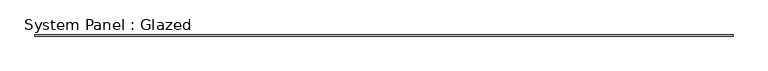
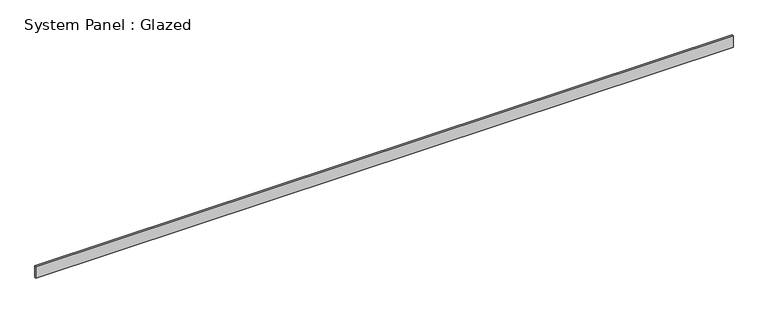
"""IFC4 building model written with IfcOpenShell, lengths in millimetres: plate geometry, System Panel : Glazed."""

import ifcopenshell
import ifcopenshell.guid

model = None  # the IFC model being written
_history = None  # IfcOwnerHistory: only IFC2X3 demands one
_inside = {}  # id of a spatial element -> (the spatial element, [elements in it])
_under = {}  # id of a project, library or spatial element -> (it, [spatial elements below it])
_declared = {}  # id of a project -> (the project, [libraries it declares])
_typed = {}  # id of a type object -> (the type object, [elements of that type])
_made_of = {}  # id of a material, layer set ... -> (it, [elements and type objects made of it])


def new_model(schema):
    """Start an empty IFC model of exactly this schema.

    Asked for "IFC4X3", IfcOpenShell would pick the latest addendum, in which some entities
    have other attributes; the version numbers below select the first issue.
    IFC2X3 requires an IfcOwnerHistory on every rooted entity: one is made here for all.
    """
    global model, _history
    if schema == "IFC4X3":
        model = ifcopenshell.file(schema_version=(4, 3, 0, 0))
    else:
        model = ifcopenshell.file(schema=schema)
    _inside.clear()
    _under.clear()
    _declared.clear()
    _typed.clear()
    _made_of.clear()
    _history = None
    if model.schema == "IFC2X3":
        org = make("IfcOrganization", Name="unknown")
        user = make(
            "IfcPersonAndOrganization",
            ThePerson=make("IfcPerson", FamilyName="unknown"),
            TheOrganization=org,
        )
        app = make(
            "IfcApplication",
            ApplicationDeveloper=org,
            Version="unknown",
            ApplicationFullName="unknown",
            ApplicationIdentifier="unknown",
        )
        _history = make(
            "IfcOwnerHistory",
            OwningUser=user,
            OwningApplication=app,
            ChangeAction="ADDED",
            CreationDate=0,
        )
    return model


def make(cls, **values):
    """One entity of the class cls with the attributes given. An attribute that is None is left unset."""
    return model.create_entity(
        cls, **{name: value for name, value in values.items() if value is not None}
    )


def rooted(cls, **values):
    """An entity with a GlobalId (a new one), such as an element, a storey or a relation."""
    return make(cls, GlobalId=ifcopenshell.guid.new(), OwnerHistory=_history, **values)


def si_unit(unit_type, name, prefix=None):
    """IfcSIUnit, for example si_unit("LENGTHUNIT", "METRE", prefix="MILLI")."""
    return make("IfcSIUnit", UnitType=unit_type, Prefix=prefix, Name=name)


def assignment(units):
    """IfcUnitAssignment: the units of a project."""
    return None if units is None else make("IfcUnitAssignment", Units=units)


def point(xyz):
    """IfcCartesianPoint."""
    return None if xyz is None else make("IfcCartesianPoint", Coordinates=xyz)


def direction(xyz):
    """IfcDirection."""
    return None if xyz is None else make("IfcDirection", DirectionRatios=xyz)


def frame(location, z_axis=None, x_axis=None):
    """IfcAxis2Placement3D, a coordinate frame: its origin and axes. An axis left out is left unset."""
    return make(
        "IfcAxis2Placement3D",
        Location=point(location),
        Axis=direction(z_axis),
        RefDirection=direction(x_axis),
    )


def origin():
    """The frame at (0, 0, 0) with its axes left unset."""
    return frame((0.0, 0.0, 0.0))


def origin_with_axes():
    """The frame at (0, 0, 0) with the z axis (0, 0, 1) and the x axis (1, 0, 0) written out."""
    return frame((0.0, 0.0, 0.0), z_axis=(0.0, 0.0, 1.0), x_axis=(1.0, 0.0, 0.0))


def place(relative_to, where):
    """IfcLocalPlacement: puts the frame where relative to a parent placement (None: the world)."""
    return make(
        "IfcLocalPlacement", PlacementRelTo=relative_to, RelativePlacement=where
    )


def context(
    kind, dimensions, precision=None, world=None, true_north=None, identifier=None
):
    """IfcGeometricRepresentationContext, for example the 3D "Model" context."""
    return make(
        "IfcGeometricRepresentationContext",
        ContextIdentifier=identifier,
        ContextType=kind,
        CoordinateSpaceDimension=dimensions,
        Precision=precision,
        WorldCoordinateSystem=world,
        TrueNorth=true_north,
    )


def project(units=None, contexts=None):
    """IfcProject with its units and contexts."""
    return rooted(
        "IfcProject",
        Name="project",
        RepresentationContexts=contexts,
        UnitsInContext=assignment(units),
    )


def spatial(cls, under=None, at=None, **own):
    """A site, building, storey or space (cls), placed at a placement, below another one or the project."""
    s = rooted(cls, ObjectPlacement=at, **own)
    if under is not None:
        _under.setdefault(under.id(), (under, []))[1].append(s)
    return s


def polyline(points):
    """IfcPolyline through the points."""
    return make("IfcPolyline", Points=[point(p) for p in points])


def outline(outer, holes=None, kind="AREA"):
    """IfcArbitraryClosedProfileDef: a profile drawn as a closed curve; with holes, ...WithVoids."""
    if holes is None:
        return make("IfcArbitraryClosedProfileDef", ProfileType=kind, OuterCurve=outer)
    return make(
        "IfcArbitraryProfileDefWithVoids",
        ProfileType=kind,
        OuterCurve=outer,
        InnerCurves=holes,
    )


def extrude(swept, where, along, depth):
    """IfcExtrudedAreaSolid: the profile swept, set in the frame where, extruded along a direction by depth."""
    return make(
        "IfcExtrudedAreaSolid",
        SweptArea=swept,
        Position=where,
        ExtrudedDirection=direction(along),
        Depth=depth,
    )


def shape(context_of_items, identifier, shape_type, items):
    """IfcShapeRepresentation: the items that make up one representation, for example the "Body"."""
    return make(
        "IfcShapeRepresentation",
        ContextOfItems=context_of_items,
        RepresentationIdentifier=identifier,
        RepresentationType=shape_type,
        Items=items,
    )


def source(mapping_origin, context_of_items, identifier, shape_type, items):
    """IfcRepresentationMap: a shape defined once, which mapped items show again and again."""
    return make(
        "IfcRepresentationMap",
        MappingOrigin=mapping_origin,
        MappedRepresentation=shape(context_of_items, identifier, shape_type, items),
    )


def transform(
    local_origin,
    x_axis=None,
    y_axis=None,
    z_axis=None,
    scale=None,
    scale2=None,
    scale3=None,
    uniform=True,
):
    """IfcCartesianTransformationOperator3D, or its non-uniform kind. x_axis, y_axis, z_axis: its Axis1, 2, 3."""
    if uniform:
        return make(
            "IfcCartesianTransformationOperator3D",
            Axis1=direction(x_axis),
            Axis2=direction(y_axis),
            LocalOrigin=point(local_origin),
            Scale=scale,
            Axis3=direction(z_axis),
        )
    return make(
        "IfcCartesianTransformationOperator3DnonUniform",
        Axis1=direction(x_axis),
        Axis2=direction(y_axis),
        LocalOrigin=point(local_origin),
        Scale=scale,
        Axis3=direction(z_axis),
        Scale2=scale2,
        Scale3=scale3,
    )


def mapped(mapping_source, mapping_target):
    """IfcMappedItem: shows the shape of a source again, moved by a transform."""
    return make(
        "IfcMappedItem", MappingSource=mapping_source, MappingTarget=mapping_target
    )


def made_of(thing, what):
    """Note that an element or type object is made of a material, layer set ...; save() writes the relation."""
    if what is not None:
        _made_of.setdefault(what.id(), (what, []))[1].append(thing)
    return thing


def element(
    cls,
    number,
    at=None,
    inside=None,
    cuts=None,
    type_object=None,
    material=None,
    context=None,
    identifier="Body",
    shape_type=None,
    held_by="IfcProductDefinitionShape",
    body=None,
    shapes=None,
    **own,
):
    """One element of the class cls, such as IfcWall. Its Tag is "e" and its number.

    at: its placement. inside: the storey or other place that contains it. cuts: it is an
    opening in that element (IfcRelVoidsElement). A single representation is given by context,
    identifier, shape_type and body (its items); several are given by shapes. held_by: the class
    of the entity that holds the representations. save() writes the other relations.
    """
    e = rooted(cls, Tag="e%d" % number, ObjectPlacement=at, **own)
    if body is not None:
        shapes = [shape(context, identifier, shape_type, body)]
    if shapes is not None:
        e.Representation = make(held_by, Representations=shapes)
    if inside is not None:
        _inside.setdefault(inside.id(), (inside, []))[1].append(e)
    if cuts is not None:
        rooted(
            "IfcRelVoidsElement", RelatingBuildingElement=cuts, RelatedOpeningElement=e
        )
    if type_object is not None:
        _typed.setdefault(type_object.id(), (type_object, []))[1].append(e)
    return made_of(e, material)


def aggregate(whole, parts):
    """IfcRelAggregates: a whole, such as a stair, and the parts it consists of."""
    return rooted("IfcRelAggregates", RelatingObject=whole, RelatedObjects=parts)


def save(model, path):
    """Write the relations noted so far, then the file.

    IfcRelAggregates (storeys below a building ...), IfcRelContainedInSpatialStructure (elements
    in a storey), IfcRelDefinesByType, IfcRelAssociatesMaterial and IfcRelDeclares: one each for
    every whole, place, type object, material and project.
    """
    for whole, parts in _under.values():
        aggregate(whole, parts)
    for where, things in _inside.values():
        rooted(
            "IfcRelContainedInSpatialStructure",
            RelatedElements=things,
            RelatingStructure=where,
        )
    for kind, things in _typed.values():
        rooted("IfcRelDefinesByType", RelatedObjects=things, RelatingType=kind)
    for what, things in _made_of.values():
        rooted("IfcRelAssociatesMaterial", RelatedObjects=things, RelatingMaterial=what)
    for by, libraries in _declared.values():
        rooted("IfcRelDeclares", RelatingContext=by, RelatedDefinitions=libraries)
    model.write(path)


def system_panel_glazed_66521486(model_context):
    return source(origin(), model_context, "Body", "SweptSolid", [
        extrude(outline(polyline([(8001.0, 19.05), (-8001.0, 19.05), (-8001.0, 44.45), (8001.0, 44.45), (8001.0, 19.05)])), origin_with_axes(), (0.0, 0.0, 1.0), 279.4),
    ])


if __name__ == "__main__":
    model = new_model("IFC4")
    model_context = context("Model", 3, world=origin())
    ifc_project = project(units=[si_unit("LENGTHUNIT", "METRE", prefix="MILLI")], contexts=[model_context])
    site = spatial("IfcSite", under=ifc_project)
    building = spatial("IfcBuilding", under=site)
    placement = place(None, origin())
    system_panel_glazed_shape = system_panel_glazed_66521486(model_context)
    element("IfcPlate", 1, ObjectType="System Panel : Glazed", at=placement, inside=building, context=model_context, shape_type="MappedRepresentation", body=[
        mapped(system_panel_glazed_shape, transform((0.0, 0.0, 0.0), x_axis=(1.0, 0.0, 0.0), y_axis=(0.0, 1.0, 0.0), z_axis=(0.0, 0.0, 1.0))),
    ])
    save(model, "model.ifc")
